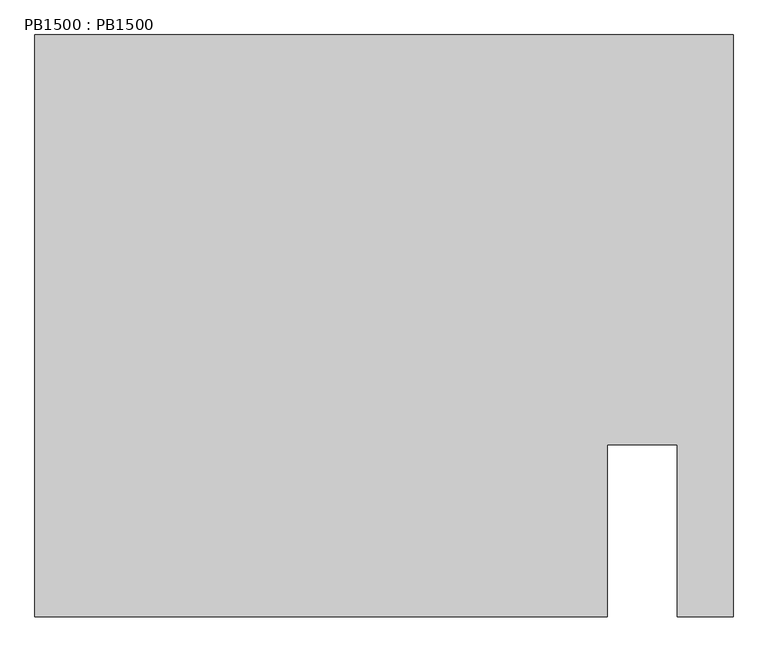
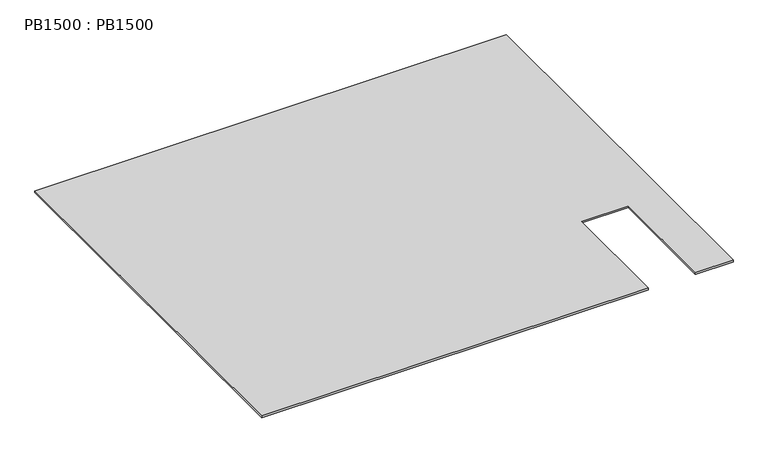
"""IFC4 building model written with IfcOpenShell, lengths in millimetres: proxy geometry, PB1500 : PB1500."""

from ifc_helpers import new_model, si_unit, origin, origin_with_axes, place, context, project, spatial, polyline, outline, extrude, source, transform, mapped, element, save


def pb1500_pb1500_06047ee8(model_context):
    return source(origin(), model_context, "Body", "SweptSolid", [
        extrude(outline(polyline([(3000.0, 0.0), (3000.0, -2500.0), (2760.0, -2500.0), (2760.0, -1760.0), (2460.0, -1760.0), (2460.0, -2500.0), (0.0, -2500.0), (0.0, 0.0), (3000.0, 0.0)])), origin_with_axes(), (0.0, 0.0, 1.0), 12.5),
    ])


if __name__ == "__main__":
    model = new_model("IFC4")
    model_context = context("Model", 3, world=origin())
    ifc_project = project(units=[si_unit("LENGTHUNIT", "METRE", prefix="MILLI")], contexts=[model_context])
    site = spatial("IfcSite", under=ifc_project)
    building = spatial("IfcBuilding", under=site)
    placement = place(None, origin())
    pb1500_pb1500_shape = pb1500_pb1500_06047ee8(model_context)
    element("IfcBuildingElementProxy", 1, Name="PB1500 : PB1500", ObjectType="PB1500 : PB1500", at=placement, inside=building, context=model_context, shape_type="MappedRepresentation", body=[
        mapped(pb1500_pb1500_shape, transform((0.0, 0.0, 0.0), x_axis=(1.0, 0.0, 0.0), y_axis=(0.0, 1.0, 0.0), z_axis=(0.0, 0.0, 1.0))),
    ])
    save(model, "model.ifc")
